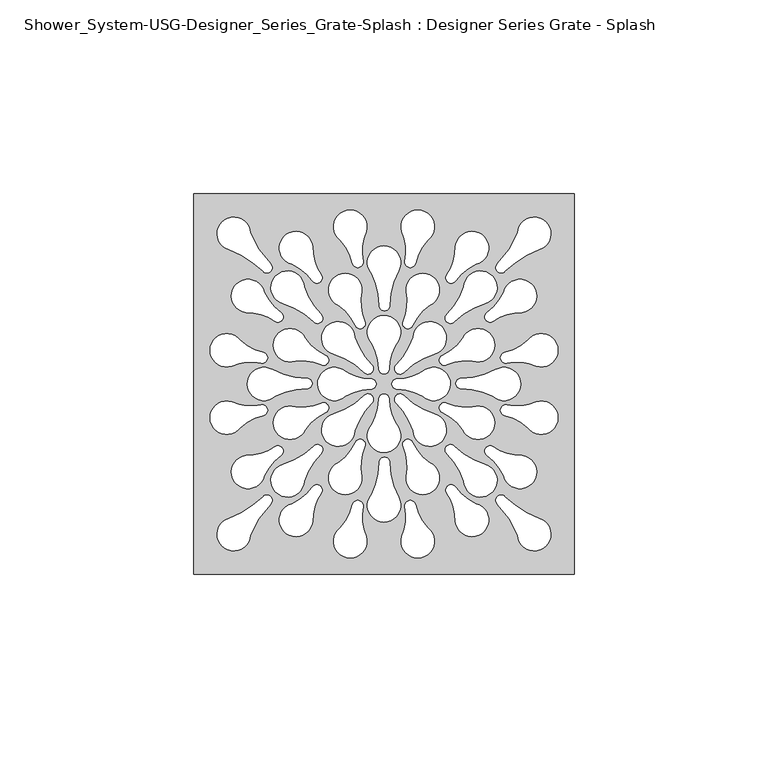
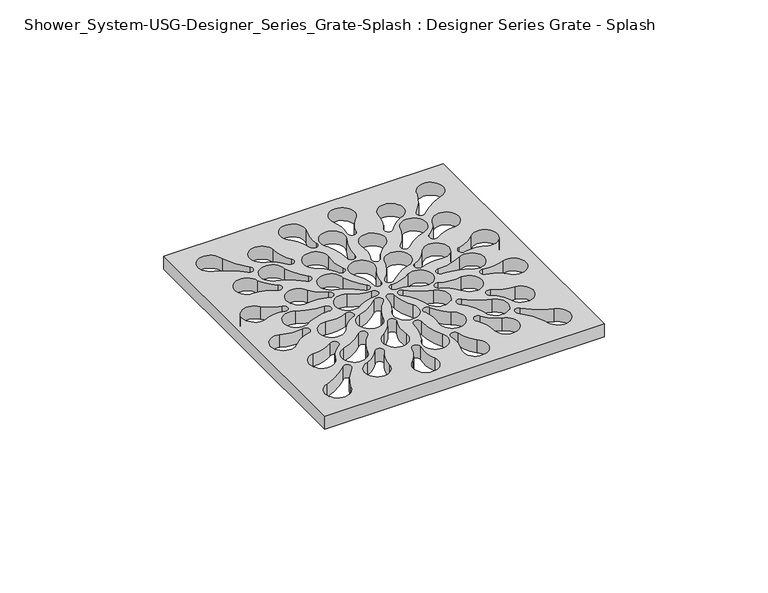
"""IFC4 building model written with IfcOpenShell, lengths in millimetres: proxy geometry, Shower_System-USG-Designer_Series_Grate-Splash : Designer Series Grate - Splash."""

import ifcopenshell
import ifcopenshell.guid

model = None  # the IFC model being written
_history = None  # IfcOwnerHistory: only IFC2X3 demands one
_inside = {}  # id of a spatial element -> (the spatial element, [elements in it])
_under = {}  # id of a project, library or spatial element -> (it, [spatial elements below it])
_declared = {}  # id of a project -> (the project, [libraries it declares])
_typed = {}  # id of a type object -> (the type object, [elements of that type])
_made_of = {}  # id of a material, layer set ... -> (it, [elements and type objects made of it])


def new_model(schema):
    """Start an empty IFC model of exactly this schema.

    Asked for "IFC4X3", IfcOpenShell would pick the latest addendum, in which some entities
    have other attributes; the version numbers below select the first issue.
    IFC2X3 requires an IfcOwnerHistory on every rooted entity: one is made here for all.
    """
    global model, _history
    if schema == "IFC4X3":
        model = ifcopenshell.file(schema_version=(4, 3, 0, 0))
    else:
        model = ifcopenshell.file(schema=schema)
    _inside.clear()
    _under.clear()
    _declared.clear()
    _typed.clear()
    _made_of.clear()
    _history = None
    if model.schema == "IFC2X3":
        org = make("IfcOrganization", Name="unknown")
        user = make(
            "IfcPersonAndOrganization",
            ThePerson=make("IfcPerson", FamilyName="unknown"),
            TheOrganization=org,
        )
        app = make(
            "IfcApplication",
            ApplicationDeveloper=org,
            Version="unknown",
            ApplicationFullName="unknown",
            ApplicationIdentifier="unknown",
        )
        _history = make(
            "IfcOwnerHistory",
            OwningUser=user,
            OwningApplication=app,
            ChangeAction="ADDED",
            CreationDate=0,
        )
    return model


def make(cls, **values):
    """One entity of the class cls with the attributes given. An attribute that is None is left unset."""
    return model.create_entity(
        cls, **{name: value for name, value in values.items() if value is not None}
    )


def rooted(cls, **values):
    """An entity with a GlobalId (a new one), such as an element, a storey or a relation."""
    return make(cls, GlobalId=ifcopenshell.guid.new(), OwnerHistory=_history, **values)


def si_unit(unit_type, name, prefix=None):
    """IfcSIUnit, for example si_unit("LENGTHUNIT", "METRE", prefix="MILLI")."""
    return make("IfcSIUnit", UnitType=unit_type, Prefix=prefix, Name=name)


def assignment(units):
    """IfcUnitAssignment: the units of a project."""
    return None if units is None else make("IfcUnitAssignment", Units=units)


def point(xyz):
    """IfcCartesianPoint."""
    return None if xyz is None else make("IfcCartesianPoint", Coordinates=xyz)


def direction(xyz):
    """IfcDirection."""
    return None if xyz is None else make("IfcDirection", DirectionRatios=xyz)


def frame(location, z_axis=None, x_axis=None):
    """IfcAxis2Placement3D, a coordinate frame: its origin and axes. An axis left out is left unset."""
    return make(
        "IfcAxis2Placement3D",
        Location=point(location),
        Axis=direction(z_axis),
        RefDirection=direction(x_axis),
    )


def frame_2d(location, x_axis=None):
    """IfcAxis2Placement2D, a coordinate frame in the plane: its origin and x axis."""
    return make(
        "IfcAxis2Placement2D", Location=point(location), RefDirection=direction(x_axis)
    )


def origin():
    """The frame at (0, 0, 0) with its axes left unset."""
    return frame((0.0, 0.0, 0.0))


def origin_with_axes():
    """The frame at (0, 0, 0) with the z axis (0, 0, 1) and the x axis (1, 0, 0) written out."""
    return frame((0.0, 0.0, 0.0), z_axis=(0.0, 0.0, 1.0), x_axis=(1.0, 0.0, 0.0))


def place(relative_to, where):
    """IfcLocalPlacement: puts the frame where relative to a parent placement (None: the world)."""
    return make(
        "IfcLocalPlacement", PlacementRelTo=relative_to, RelativePlacement=where
    )


def context(
    kind, dimensions, precision=None, world=None, true_north=None, identifier=None
):
    """IfcGeometricRepresentationContext, for example the 3D "Model" context."""
    return make(
        "IfcGeometricRepresentationContext",
        ContextIdentifier=identifier,
        ContextType=kind,
        CoordinateSpaceDimension=dimensions,
        Precision=precision,
        WorldCoordinateSystem=world,
        TrueNorth=true_north,
    )


def project(units=None, contexts=None):
    """IfcProject with its units and contexts."""
    return rooted(
        "IfcProject",
        Name="project",
        RepresentationContexts=contexts,
        UnitsInContext=assignment(units),
    )


def spatial(cls, under=None, at=None, **own):
    """A site, building, storey or space (cls), placed at a placement, below another one or the project."""
    s = rooted(cls, ObjectPlacement=at, **own)
    if under is not None:
        _under.setdefault(under.id(), (under, []))[1].append(s)
    return s


def polyline(points):
    """IfcPolyline through the points."""
    return make("IfcPolyline", Points=[point(p) for p in points])


def circle_curve(where, radius):
    """IfcCircle in the frame where."""
    return make("IfcCircle", Position=where, Radius=radius)


def trimmed(basis, trim1, trim2, sense, master):
    """IfcTrimmedCurve: the piece of a basis curve between two trims."""
    return make(
        "IfcTrimmedCurve",
        BasisCurve=basis,
        Trim1=trim1,
        Trim2=trim2,
        SenseAgreement=sense,
        MasterRepresentation=master,
    )


def segment(curve, same_sense, transition):
    """IfcCompositeCurveSegment."""
    return make(
        "IfcCompositeCurveSegment",
        Transition=transition,
        SameSense=same_sense,
        ParentCurve=curve,
    )


def composite_curve(segments, self_intersect=None):
    """IfcCompositeCurve: segments joined end to end."""
    return make("IfcCompositeCurve", Segments=segments, SelfIntersect=self_intersect)


def outline(outer, holes=None, kind="AREA"):
    """IfcArbitraryClosedProfileDef: a profile drawn as a closed curve; with holes, ...WithVoids."""
    if holes is None:
        return make("IfcArbitraryClosedProfileDef", ProfileType=kind, OuterCurve=outer)
    return make(
        "IfcArbitraryProfileDefWithVoids",
        ProfileType=kind,
        OuterCurve=outer,
        InnerCurves=holes,
    )


def extrude(swept, where, along, depth):
    """IfcExtrudedAreaSolid: the profile swept, set in the frame where, extruded along a direction by depth."""
    return make(
        "IfcExtrudedAreaSolid",
        SweptArea=swept,
        Position=where,
        ExtrudedDirection=direction(along),
        Depth=depth,
    )


def shape(context_of_items, identifier, shape_type, items):
    """IfcShapeRepresentation: the items that make up one representation, for example the "Body"."""
    return make(
        "IfcShapeRepresentation",
        ContextOfItems=context_of_items,
        RepresentationIdentifier=identifier,
        RepresentationType=shape_type,
        Items=items,
    )


def source(mapping_origin, context_of_items, identifier, shape_type, items):
    """IfcRepresentationMap: a shape defined once, which mapped items show again and again."""
    return make(
        "IfcRepresentationMap",
        MappingOrigin=mapping_origin,
        MappedRepresentation=shape(context_of_items, identifier, shape_type, items),
    )


def transform(
    local_origin,
    x_axis=None,
    y_axis=None,
    z_axis=None,
    scale=None,
    scale2=None,
    scale3=None,
    uniform=True,
):
    """IfcCartesianTransformationOperator3D, or its non-uniform kind. x_axis, y_axis, z_axis: its Axis1, 2, 3."""
    if uniform:
        return make(
            "IfcCartesianTransformationOperator3D",
            Axis1=direction(x_axis),
            Axis2=direction(y_axis),
            LocalOrigin=point(local_origin),
            Scale=scale,
            Axis3=direction(z_axis),
        )
    return make(
        "IfcCartesianTransformationOperator3DnonUniform",
        Axis1=direction(x_axis),
        Axis2=direction(y_axis),
        LocalOrigin=point(local_origin),
        Scale=scale,
        Axis3=direction(z_axis),
        Scale2=scale2,
        Scale3=scale3,
    )


def mapped(mapping_source, mapping_target):
    """IfcMappedItem: shows the shape of a source again, moved by a transform."""
    return make(
        "IfcMappedItem", MappingSource=mapping_source, MappingTarget=mapping_target
    )


def made_of(thing, what):
    """Note that an element or type object is made of a material, layer set ...; save() writes the relation."""
    if what is not None:
        _made_of.setdefault(what.id(), (what, []))[1].append(thing)
    return thing


def element(
    cls,
    number,
    at=None,
    inside=None,
    cuts=None,
    type_object=None,
    material=None,
    context=None,
    identifier="Body",
    shape_type=None,
    held_by="IfcProductDefinitionShape",
    body=None,
    shapes=None,
    **own,
):
    """One element of the class cls, such as IfcWall. Its Tag is "e" and its number.

    at: its placement. inside: the storey or other place that contains it. cuts: it is an
    opening in that element (IfcRelVoidsElement). A single representation is given by context,
    identifier, shape_type and body (its items); several are given by shapes. held_by: the class
    of the entity that holds the representations. save() writes the other relations.
    """
    e = rooted(cls, Tag="e%d" % number, ObjectPlacement=at, **own)
    if body is not None:
        shapes = [shape(context, identifier, shape_type, body)]
    if shapes is not None:
        e.Representation = make(held_by, Representations=shapes)
    if inside is not None:
        _inside.setdefault(inside.id(), (inside, []))[1].append(e)
    if cuts is not None:
        rooted(
            "IfcRelVoidsElement", RelatingBuildingElement=cuts, RelatedOpeningElement=e
        )
    if type_object is not None:
        _typed.setdefault(type_object.id(), (type_object, []))[1].append(e)
    return made_of(e, material)


def aggregate(whole, parts):
    """IfcRelAggregates: a whole, such as a stair, and the parts it consists of."""
    return rooted("IfcRelAggregates", RelatingObject=whole, RelatedObjects=parts)


def save(model, path):
    """Write the relations noted so far, then the file.

    IfcRelAggregates (storeys below a building ...), IfcRelContainedInSpatialStructure (elements
    in a storey), IfcRelDefinesByType, IfcRelAssociatesMaterial and IfcRelDeclares: one each for
    every whole, place, type object, material and project.
    """
    for whole, parts in _under.values():
        aggregate(whole, parts)
    for where, things in _inside.values():
        rooted(
            "IfcRelContainedInSpatialStructure",
            RelatedElements=things,
            RelatingStructure=where,
        )
    for kind, things in _typed.values():
        rooted("IfcRelDefinesByType", RelatedObjects=things, RelatingType=kind)
    for what, things in _made_of.values():
        rooted("IfcRelAssociatesMaterial", RelatedObjects=things, RelatingMaterial=what)
    for by, libraries in _declared.values():
        rooted("IfcRelDeclares", RelatingContext=by, RelatedDefinitions=libraries)
    model.write(path)


def shower_system_usg_designer_series_grate_splash_designer_84e0f59b(model_context):
    return source(origin(), model_context, "Body", "SweptSolid", [
        extrude(outline(polyline([(49.2125, -49.2125), (-49.2125, -49.2125), (-49.2125, 49.2125), (49.2125, 49.2125), (49.2125, -49.2125)]), holes=[composite_curve([segment(trimmed(circle_curve(frame_2d((12.8381313, 0.0)), 4.3109598), [point((9.9621272, -3.2113821))], [point((10.7444921, 3.768428))], True, "CARTESIAN"), True, "CONTINUOUS"), segment(trimmed(circle_curve(frame_2d((3.4483085, 13.7767597)), 12.3855157), [point((10.7444921, 3.768428))], [point((3.4483085, 1.391244))], False, "CARTESIAN"), True, "CONTINUOUS"), segment(trimmed(circle_curve(frame_2d((3.4483085, 0.0)), 1.391244), [point((3.4483085, 1.391244))], [point((3.4483085, -1.391244))], True, "CARTESIAN"), True, "CONTINUOUS"), segment(trimmed(circle_curve(frame_2d((3.4483085, -13.9569765)), 12.5657325), [point((3.4483085, -1.391244))], [point((9.9621272, -3.2113821))], False, "CARTESIAN"), True, "CONTINUOUS")], self_intersect=False), composite_curve([segment(trimmed(circle_curve(frame_2d((0.0, -13.3853814)), 4.3109598), [point((-3.2113821, -10.5093774))], [point((3.768428, -11.2917423))], True, "CARTESIAN"), True, "CONTINUOUS"), segment(trimmed(circle_curve(frame_2d((13.7767597, -3.9955587)), 12.3855157), [point((3.768428, -11.2917423))], [point((1.391244, -3.9955587))], False, "CARTESIAN"), True, "CONTINUOUS"), segment(trimmed(circle_curve(frame_2d((0.0, -3.9955587)), 1.391244), [point((1.391244, -3.9955587))], [point((-1.391244, -3.9955587))], True, "CARTESIAN"), True, "CONTINUOUS"), segment(trimmed(circle_curve(frame_2d((-13.9569765, -3.9955587)), 12.5657325), [point((-1.391244, -3.9955587))], [point((-3.2113821, -10.5093774))], False, "CARTESIAN"), True, "CONTINUOUS")], self_intersect=False), composite_curve([segment(trimmed(circle_curve(frame_2d((-3.4483085, -13.9569765)), 12.5657325), [point((-9.9621272, -3.2113821))], [point((-3.4483085, -1.391244))], False, "CARTESIAN"), True, "CONTINUOUS"), segment(trimmed(circle_curve(frame_2d((-3.4483085, 0.0)), 1.391244), [point((-3.4483085, -1.391244))], [point((-3.4483085, 1.391244))], True, "CARTESIAN"), True, "CONTINUOUS"), segment(trimmed(circle_curve(frame_2d((-3.4483085, 13.7767597)), 12.3855157), [point((-3.4483085, 1.391244))], [point((-10.7444921, 3.768428))], False, "CARTESIAN"), True, "CONTINUOUS"), segment(trimmed(circle_curve(frame_2d((-12.8381313, 0.0)), 4.3109598), [point((-10.7444921, 3.768428))], [point((-9.9621272, -3.2113821))], True, "CARTESIAN"), True, "CONTINUOUS")], self_intersect=False), composite_curve([segment(trimmed(circle_curve(frame_2d((-13.9569765, 3.9955587)), 12.5657325), [point((-3.2113821, 10.5093774))], [point((-1.391244, 3.9955587))], False, "CARTESIAN"), True, "CONTINUOUS"), segment(trimmed(circle_curve(frame_2d((0.0, 3.9955587)), 1.391244), [point((-1.391244, 3.9955587))], [point((1.391244, 3.9955587))], True, "CARTESIAN"), True, "CONTINUOUS"), segment(trimmed(circle_curve(frame_2d((13.7767597, 3.9955587)), 12.3855157), [point((1.391244, 3.9955587))], [point((3.768428, 11.2917423))], False, "CARTESIAN"), True, "CONTINUOUS"), segment(trimmed(circle_curve(frame_2d((0.0, 13.3853814)), 4.3109598), [point((3.768428, 11.2917423))], [point((-3.2113821, 10.5093774))], True, "CARTESIAN"), True, "CONTINUOUS")], self_intersect=False), composite_curve([segment(trimmed(circle_curve(frame_2d((0.0, -31.36065)), 4.3109598), [point((-3.2113821, -28.4846459))], [point((3.768428, -29.2670108))], True, "CARTESIAN"), True, "CONTINUOUS"), segment(trimmed(circle_curve(frame_2d((20.3985658, -20.3211361)), 18.883595), [point((3.768428, -29.2670108))], [point((1.5149708, -20.3211361))], False, "CARTESIAN"), True, "CONTINUOUS"), segment(trimmed(circle_curve(frame_2d((0.1237268, -20.3211361)), 1.391244), [point((1.5149708, -20.3211361))], [point((-1.2675171, -20.3211361))], True, "CARTESIAN"), True, "CONTINUOUS"), segment(trimmed(circle_curve(frame_2d((-19.3813024, -20.3211361)), 18.1137852), [point((-1.2675171, -20.3211361))], [point((-3.2113821, -28.4846459))], False, "CARTESIAN"), True, "CONTINUOUS")], self_intersect=False), composite_curve([segment(trimmed(circle_curve(frame_2d((-19.3813024, 20.3211361)), 18.1137852), [point((-3.2113821, 28.4846459))], [point((-1.2675171, 20.3211361))], False, "CARTESIAN"), True, "CONTINUOUS"), segment(trimmed(circle_curve(frame_2d((0.1237268, 20.3211361)), 1.391244), [point((-1.2675171, 20.3211361))], [point((1.5149708, 20.3211361))], True, "CARTESIAN"), True, "CONTINUOUS"), segment(trimmed(circle_curve(frame_2d((20.3985658, 20.3211361)), 18.883595), [point((1.5149708, 20.3211361))], [point((3.768428, 29.2670108))], False, "CARTESIAN"), True, "CONTINUOUS"), segment(trimmed(circle_curve(frame_2d((0.0, 31.36065)), 4.3109598), [point((3.768428, 29.2670108))], [point((-3.2113821, 28.4846459))], True, "CARTESIAN"), True, "CONTINUOUS")], self_intersect=False), composite_curve([segment(trimmed(circle_curve(frame_2d((31.0004699, 0.0)), 4.3109598), [point((28.1244659, -3.2113821))], [point((28.9068308, 3.768428))], True, "CARTESIAN"), True, "CONTINUOUS"), segment(trimmed(circle_curve(frame_2d((19.960956, 20.3985658)), 18.883595), [point((28.9068308, 3.768428))], [point((19.960956, 1.5149708))], False, "CARTESIAN"), True, "CONTINUOUS"), segment(trimmed(circle_curve(frame_2d((19.960956, 0.1237268)), 1.391244), [point((19.960956, 1.5149708))], [point((19.960956, -1.2675171))], True, "CARTESIAN"), True, "CONTINUOUS"), segment(trimmed(circle_curve(frame_2d((19.960956, -19.3813024)), 18.1137852), [point((19.960956, -1.2675171))], [point((28.1244659, -3.2113821))], False, "CARTESIAN"), True, "CONTINUOUS")], self_intersect=False), composite_curve([segment(trimmed(circle_curve(frame_2d((-19.960956, -19.3813024)), 18.1137852), [point((-28.1244659, -3.2113821))], [point((-19.960956, -1.2675171))], False, "CARTESIAN"), True, "CONTINUOUS"), segment(trimmed(circle_curve(frame_2d((-19.960956, 0.1237268)), 1.391244), [point((-19.960956, -1.2675171))], [point((-19.960956, 1.5149708))], True, "CARTESIAN"), True, "CONTINUOUS"), segment(trimmed(circle_curve(frame_2d((-19.960956, 20.3985658)), 18.883595), [point((-19.960956, 1.5149708))], [point((-28.9068308, 3.768428))], False, "CARTESIAN"), True, "CONTINUOUS"), segment(trimmed(circle_curve(frame_2d((-31.0004699, 0.0)), 4.3109598), [point((-28.9068308, 3.768428))], [point((-28.1244659, -3.2113821))], True, "CARTESIAN"), True, "CONTINUOUS")], self_intersect=False), composite_curve([segment(trimmed(circle_curve(frame_2d((11.8319537, -11.8319537)), 4.3109598), [point((7.5275217, -12.0691018))], [point((13.0162082, -7.6868463))], True, "CARTESIAN"), True, "CONTINUOUS"), segment(trimmed(circle_curve(frame_2d((18.4498027, 10.3981256)), 18.883595), [point((13.0162082, -7.6868463))], [point((5.0970847, -2.9545924))], False, "CARTESIAN"), True, "CONTINUOUS"), segment(trimmed(circle_curve(frame_2d((4.1133267, -3.9383505)), 1.391244), [point((5.0970847, -2.9545924))], [point((3.1295686, -4.9221085))], True, "CARTESIAN"), True, "CONTINUOUS"), segment(trimmed(circle_curve(frame_2d((-9.6788118, -17.7304889)), 18.1137852), [point((3.1295686, -4.9221085))], [point((7.5275217, -12.0691018))], False, "CARTESIAN"), True, "CONTINUOUS")], self_intersect=False), composite_curve([segment(trimmed(circle_curve(frame_2d((-9.6788118, 17.7304889)), 18.1137852), [point((7.5275217, 12.0691018))], [point((3.1295686, 4.9221085))], False, "CARTESIAN"), True, "CONTINUOUS"), segment(trimmed(circle_curve(frame_2d((4.1133267, 3.9383505)), 1.391244), [point((3.1295686, 4.9221085))], [point((5.0970847, 2.9545924))], True, "CARTESIAN"), True, "CONTINUOUS"), segment(trimmed(circle_curve(frame_2d((18.4498027, -10.3981256)), 18.883595), [point((5.0970847, 2.9545924))], [point((13.0162082, 7.6868463))], False, "CARTESIAN"), True, "CONTINUOUS"), segment(trimmed(circle_curve(frame_2d((11.8319537, 11.8319537)), 4.3109598), [point((13.0162082, 7.6868463))], [point((7.5275217, 12.0691018))], True, "CARTESIAN"), True, "CONTINUOUS")], self_intersect=False), composite_curve([segment(trimmed(circle_curve(frame_2d((-11.8319537, 11.8319537)), 4.3109598), [point((-7.5275217, 12.0691018))], [point((-13.0162082, 7.6868463))], True, "CARTESIAN"), True, "CONTINUOUS"), segment(trimmed(circle_curve(frame_2d((-18.4498027, -10.3981256)), 18.883595), [point((-13.0162082, 7.6868463))], [point((-5.0970847, 2.9545924))], False, "CARTESIAN"), True, "CONTINUOUS"), segment(trimmed(circle_curve(frame_2d((-4.1133267, 3.9383505)), 1.391244), [point((-5.0970847, 2.9545924))], [point((-3.1295686, 4.9221085))], True, "CARTESIAN"), True, "CONTINUOUS"), segment(trimmed(circle_curve(frame_2d((9.6788118, 17.7304889)), 18.1137852), [point((-3.1295686, 4.9221085))], [point((-7.5275217, 12.0691018))], False, "CARTESIAN"), True, "CONTINUOUS")], self_intersect=False), composite_curve([segment(trimmed(circle_curve(frame_2d((9.6788118, -17.7304889)), 18.1137852), [point((-7.5275217, -12.0691018))], [point((-3.1295686, -4.9221085))], False, "CARTESIAN"), True, "CONTINUOUS"), segment(trimmed(circle_curve(frame_2d((-4.1133267, -3.9383505)), 1.391244), [point((-3.1295686, -4.9221085))], [point((-5.0970847, -2.9545924))], True, "CARTESIAN"), True, "CONTINUOUS"), segment(trimmed(circle_curve(frame_2d((-18.4498027, 10.3981256)), 18.883595), [point((-5.0970847, -2.9545924))], [point((-13.0162082, -7.6868463))], False, "CARTESIAN"), True, "CONTINUOUS"), segment(trimmed(circle_curve(frame_2d((-11.8319537, -11.8319537)), 4.3109598), [point((-13.0162082, -7.6868463))], [point((-7.5275217, -12.0691018))], True, "CARTESIAN"), True, "CONTINUOUS")], self_intersect=False), composite_curve([segment(trimmed(circle_curve(frame_2d((24.9071661, -24.9071661)), 4.3109598), [point((20.6027341, -25.1443142))], [point((26.0914206, -20.7620587))], True, "CARTESIAN"), True, "CONTINUOUS"), segment(trimmed(circle_curve(frame_2d((31.5250152, -2.6770868)), 18.883595), [point((26.0914206, -20.7620587))], [point((18.1722971, -16.0298048))], False, "CARTESIAN"), True, "CONTINUOUS"), segment(trimmed(circle_curve(frame_2d((17.1885391, -17.0135629)), 1.391244), [point((18.1722971, -16.0298048))], [point((16.204781, -17.9973209))], True, "CARTESIAN"), True, "CONTINUOUS"), segment(trimmed(circle_curve(frame_2d((3.3964006, -30.8057013)), 18.1137852), [point((16.204781, -17.9973209))], [point((20.6027341, -25.1443142))], False, "CARTESIAN"), True, "CONTINUOUS")], self_intersect=False), composite_curve([segment(trimmed(circle_curve(frame_2d((38.8265631, -38.8265631)), 4.3109598), [point((34.5221311, -39.0637112))], [point((40.0108176, -34.6814557))], True, "CARTESIAN"), True, "CONTINUOUS"), segment(trimmed(circle_curve(frame_2d((48.2165596, -12.1123152)), 24.0145852), [point((40.0108176, -34.6814557))], [point((31.2356835, -29.0931913))], False, "CARTESIAN"), True, "CONTINUOUS"), segment(trimmed(circle_curve(frame_2d((30.2519255, -30.0769493)), 1.391244), [point((31.2356835, -29.0931913))], [point((29.2681674, -31.0607074))], True, "CARTESIAN"), True, "CONTINUOUS"), segment(trimmed(circle_curve(frame_2d((12.598312, -47.7305628)), 23.5747357), [point((29.2681674, -31.0607074))], [point((34.5221311, -39.0637112))], False, "CARTESIAN"), True, "CONTINUOUS")], self_intersect=False), composite_curve([segment(trimmed(circle_curve(frame_2d((3.3964006, 30.8057013)), 18.1137852), [point((20.6027341, 25.1443142))], [point((16.204781, 17.9973209))], False, "CARTESIAN"), True, "CONTINUOUS"), segment(trimmed(circle_curve(frame_2d((17.1885391, 17.0135629)), 1.391244), [point((16.204781, 17.9973209))], [point((18.1722971, 16.0298048))], True, "CARTESIAN"), True, "CONTINUOUS"), segment(trimmed(circle_curve(frame_2d((31.5250152, 2.6770868)), 18.883595), [point((18.1722971, 16.0298048))], [point((26.0914206, 20.7620587))], False, "CARTESIAN"), True, "CONTINUOUS"), segment(trimmed(circle_curve(frame_2d((24.9071661, 24.9071661)), 4.3109598), [point((26.0914206, 20.7620587))], [point((20.6027341, 25.1443142))], True, "CARTESIAN"), True, "CONTINUOUS")], self_intersect=False), composite_curve([segment(trimmed(circle_curve(frame_2d((12.598312, 47.7305628)), 23.5747357), [point((34.5221311, 39.0637112))], [point((29.2681674, 31.0607074))], False, "CARTESIAN"), True, "CONTINUOUS"), segment(trimmed(circle_curve(frame_2d((30.2519255, 30.0769493)), 1.391244), [point((29.2681674, 31.0607074))], [point((31.2356835, 29.0931913))], True, "CARTESIAN"), True, "CONTINUOUS"), segment(trimmed(circle_curve(frame_2d((48.2165596, 12.1123152)), 24.0145852), [point((31.2356835, 29.0931913))], [point((40.0108176, 34.6814557))], False, "CARTESIAN"), True, "CONTINUOUS"), segment(trimmed(circle_curve(frame_2d((38.8265631, 38.8265631)), 4.3109598), [point((40.0108176, 34.6814557))], [point((34.5221311, 39.0637112))], True, "CARTESIAN"), True, "CONTINUOUS")], self_intersect=False), composite_curve([segment(trimmed(circle_curve(frame_2d((-24.9071661, 24.9071661)), 4.3109598), [point((-20.6027341, 25.1443142))], [point((-26.0914206, 20.7620587))], True, "CARTESIAN"), True, "CONTINUOUS"), segment(trimmed(circle_curve(frame_2d((-31.5250152, 2.6770868)), 18.883595), [point((-26.0914206, 20.7620587))], [point((-18.1722971, 16.0298048))], False, "CARTESIAN"), True, "CONTINUOUS"), segment(trimmed(circle_curve(frame_2d((-17.1885391, 17.0135629)), 1.391244), [point((-18.1722971, 16.0298048))], [point((-16.204781, 17.9973209))], True, "CARTESIAN"), True, "CONTINUOUS"), segment(trimmed(circle_curve(frame_2d((-3.3964006, 30.8057013)), 18.1137852), [point((-16.204781, 17.9973209))], [point((-20.6027341, 25.1443142))], False, "CARTESIAN"), True, "CONTINUOUS")], self_intersect=False), composite_curve([segment(trimmed(circle_curve(frame_2d((-38.8265631, 38.8265631)), 4.3109598), [point((-34.5221311, 39.0637112))], [point((-40.0108176, 34.6814557))], True, "CARTESIAN"), True, "CONTINUOUS"), segment(trimmed(circle_curve(frame_2d((-48.2165596, 12.1123152)), 24.0145852), [point((-40.0108176, 34.6814557))], [point((-31.2356835, 29.0931913))], False, "CARTESIAN"), True, "CONTINUOUS"), segment(trimmed(circle_curve(frame_2d((-30.2519255, 30.0769493)), 1.391244), [point((-31.2356835, 29.0931913))], [point((-29.2681674, 31.0607074))], True, "CARTESIAN"), True, "CONTINUOUS"), segment(trimmed(circle_curve(frame_2d((-12.598312, 47.7305628)), 23.5747357), [point((-29.2681674, 31.0607074))], [point((-34.5221311, 39.0637112))], False, "CARTESIAN"), True, "CONTINUOUS")], self_intersect=False), composite_curve([segment(trimmed(circle_curve(frame_2d((-3.3964006, -30.8057013)), 18.1137852), [point((-20.6027341, -25.1443142))], [point((-16.204781, -17.9973209))], False, "CARTESIAN"), True, "CONTINUOUS"), segment(trimmed(circle_curve(frame_2d((-17.1885391, -17.0135629)), 1.391244), [point((-16.204781, -17.9973209))], [point((-18.1722971, -16.0298048))], True, "CARTESIAN"), True, "CONTINUOUS"), segment(trimmed(circle_curve(frame_2d((-31.5250152, -2.6770868)), 18.883595), [point((-18.1722971, -16.0298048))], [point((-26.0914206, -20.7620587))], False, "CARTESIAN"), True, "CONTINUOUS"), segment(trimmed(circle_curve(frame_2d((-24.9071661, -24.9071661)), 4.3109598), [point((-26.0914206, -20.7620587))], [point((-20.6027341, -25.1443142))], True, "CARTESIAN"), True, "CONTINUOUS")], self_intersect=False), composite_curve([segment(trimmed(circle_curve(frame_2d((-12.598312, -47.7305628)), 23.5747357), [point((-34.5221311, -39.0637112))], [point((-29.2681674, -31.0607074))], False, "CARTESIAN"), True, "CONTINUOUS"), segment(trimmed(circle_curve(frame_2d((-30.2519255, -30.0769493)), 1.391244), [point((-29.2681674, -31.0607074))], [point((-31.2356835, -29.0931913))], True, "CARTESIAN"), True, "CONTINUOUS"), segment(trimmed(circle_curve(frame_2d((-48.2165596, -12.1123152)), 24.0145852), [point((-31.2356835, -29.0931913))], [point((-40.0108176, -34.6814557))], False, "CARTESIAN"), True, "CONTINUOUS"), segment(trimmed(circle_curve(frame_2d((-38.8265631, -38.8265631)), 4.3109598), [point((-40.0108176, -34.6814557))], [point((-34.5221311, -39.0637112))], True, "CARTESIAN"), True, "CONTINUOUS")], self_intersect=False), composite_curve([segment(trimmed(circle_curve(frame_2d((40.6311445, -8.7303877)), 4.3109598), [point((37.1503042, -11.2736385))], [point((39.3667566, -4.6090169))], True, "CARTESIAN"), True, "CONTINUOUS"), segment(trimmed(circle_curve(frame_2d((34.3108613, 6.6975706)), 12.3855157), [point((39.3667566, -4.6090169))], [point((31.7357678, -5.4172918))], False, "CARTESIAN"), True, "CONTINUOUS"), segment(trimmed(circle_curve(frame_2d((31.4465119, -6.7781338)), 1.391244), [point((31.7357678, -5.4172918))], [point((31.157256, -8.1389757))], True, "CARTESIAN"), True, "CONTINUOUS"), segment(trimmed(circle_curve(frame_2d((28.5446933, -20.4301169)), 12.5657325), [point((31.157256, -8.1389757))], [point((37.1503042, -11.2736385))], False, "CARTESIAN"), True, "CONTINUOUS")], self_intersect=False), composite_curve([segment(trimmed(circle_curve(frame_2d((24.2726534, -10.0063409)), 4.3109598), [point((20.3391062, -11.7703082))], [point((23.8927766, -5.7121509))], True, "CARTESIAN"), True, "CONTINUOUS"), segment(trimmed(circle_curve(frame_2d((21.2981364, 6.3985403)), 12.3855157), [point((23.8927766, -5.7121509))], [point((16.2604933, -4.9161913))], False, "CARTESIAN"), True, "CONTINUOUS"), segment(trimmed(circle_curve(frame_2d((15.6946234, -6.1871559)), 1.391244), [point((16.2604933, -4.9161913))], [point((15.1287535, -7.4581205))], True, "CARTESIAN"), True, "CONTINUOUS"), segment(trimmed(circle_curve(frame_2d((10.0178097, -18.9374884)), 12.5657325), [point((15.1287535, -7.4581205))], [point((20.3391062, -11.7703082))], False, "CARTESIAN"), True, "CONTINUOUS")], self_intersect=False), composite_curve([segment(trimmed(circle_curve(frame_2d((35.1312859, -22.7389899)), 4.3109598), [point((30.9334282, -23.719992))], [point((35.5777586, -18.4512124))], True, "CARTESIAN"), True, "CONTINUOUS"), segment(trimmed(circle_curve(frame_2d((35.3416181, -6.067948)), 12.3855157), [point((35.5777586, -18.4512124))], [point((28.2375782, -16.2135685))], False, "CARTESIAN"), True, "CONTINUOUS"), segment(trimmed(circle_curve(frame_2d((27.4395934, -17.3532089)), 1.391244), [point((28.2375782, -16.2135685))], [point((26.6416087, -18.4928492))], True, "CARTESIAN"), True, "CONTINUOUS"), segment(trimmed(circle_curve(frame_2d((19.4342006, -28.7860947)), 12.5657325), [point((26.6416087, -18.4928492))], [point((30.9334282, -23.719992))], False, "CARTESIAN"), True, "CONTINUOUS")], self_intersect=False), composite_curve([segment(trimmed(circle_curve(frame_2d((28.5446933, 20.4301169)), 12.5657325), [point((37.1503042, 11.2736385))], [point((31.157256, 8.1389757))], False, "CARTESIAN"), True, "CONTINUOUS"), segment(trimmed(circle_curve(frame_2d((31.4465119, 6.7781338)), 1.391244), [point((31.157256, 8.1389757))], [point((31.7357678, 5.4172918))], True, "CARTESIAN"), True, "CONTINUOUS"), segment(trimmed(circle_curve(frame_2d((34.3108613, -6.6975706)), 12.3855157), [point((31.7357678, 5.4172918))], [point((39.3667566, 4.6090169))], False, "CARTESIAN"), True, "CONTINUOUS"), segment(trimmed(circle_curve(frame_2d((40.6311445, 8.7303877)), 4.3109598), [point((39.3667566, 4.6090169))], [point((37.1503042, 11.2736385))], True, "CARTESIAN"), True, "CONTINUOUS")], self_intersect=False), composite_curve([segment(trimmed(circle_curve(frame_2d((10.0178097, 18.9374884)), 12.5657325), [point((20.3391062, 11.7703082))], [point((15.1287535, 7.4581205))], False, "CARTESIAN"), True, "CONTINUOUS"), segment(trimmed(circle_curve(frame_2d((15.6946234, 6.1871559)), 1.391244), [point((15.1287535, 7.4581205))], [point((16.2604933, 4.9161913))], True, "CARTESIAN"), True, "CONTINUOUS"), segment(trimmed(circle_curve(frame_2d((21.2981364, -6.3985403)), 12.3855157), [point((16.2604933, 4.9161913))], [point((23.8927766, 5.7121509))], False, "CARTESIAN"), True, "CONTINUOUS"), segment(trimmed(circle_curve(frame_2d((24.2726534, 10.0063409)), 4.3109598), [point((23.8927766, 5.7121509))], [point((20.3391062, 11.7703082))], True, "CARTESIAN"), True, "CONTINUOUS")], self_intersect=False), composite_curve([segment(trimmed(circle_curve(frame_2d((19.4342006, 28.7860947)), 12.5657325), [point((30.9334282, 23.719992))], [point((26.6416087, 18.4928492))], False, "CARTESIAN"), True, "CONTINUOUS"), segment(trimmed(circle_curve(frame_2d((27.4395934, 17.3532089)), 1.391244), [point((26.6416087, 18.4928492))], [point((28.2375782, 16.2135685))], True, "CARTESIAN"), True, "CONTINUOUS"), segment(trimmed(circle_curve(frame_2d((35.3416181, 6.067948)), 12.3855157), [point((28.2375782, 16.2135685))], [point((35.5777586, 18.4512124))], False, "CARTESIAN"), True, "CONTINUOUS"), segment(trimmed(circle_curve(frame_2d((35.1312859, 22.7389899)), 4.3109598), [point((35.5777586, 18.4512124))], [point((30.9334282, 23.719992))], True, "CARTESIAN"), True, "CONTINUOUS")], self_intersect=False), composite_curve([segment(trimmed(circle_curve(frame_2d((-28.5446933, -20.4301169)), 12.5657325), [point((-37.1503042, -11.2736385))], [point((-31.157256, -8.1389757))], False, "CARTESIAN"), True, "CONTINUOUS"), segment(trimmed(circle_curve(frame_2d((-31.4465119, -6.7781338)), 1.391244), [point((-31.157256, -8.1389757))], [point((-31.7357678, -5.4172918))], True, "CARTESIAN"), True, "CONTINUOUS"), segment(trimmed(circle_curve(frame_2d((-34.3108613, 6.6975706)), 12.3855157), [point((-31.7357678, -5.4172918))], [point((-39.3667566, -4.6090169))], False, "CARTESIAN"), True, "CONTINUOUS"), segment(trimmed(circle_curve(frame_2d((-40.6311445, -8.7303877)), 4.3109598), [point((-39.3667566, -4.6090169))], [point((-37.1503042, -11.2736385))], True, "CARTESIAN"), True, "CONTINUOUS")], self_intersect=False), composite_curve([segment(trimmed(circle_curve(frame_2d((-10.0178097, -18.9374884)), 12.5657325), [point((-20.3391062, -11.7703082))], [point((-15.1287535, -7.4581205))], False, "CARTESIAN"), True, "CONTINUOUS"), segment(trimmed(circle_curve(frame_2d((-15.6946234, -6.1871559)), 1.391244), [point((-15.1287535, -7.4581205))], [point((-16.2604933, -4.9161913))], True, "CARTESIAN"), True, "CONTINUOUS"), segment(trimmed(circle_curve(frame_2d((-21.2981364, 6.3985403)), 12.3855157), [point((-16.2604933, -4.9161913))], [point((-23.8927766, -5.7121509))], False, "CARTESIAN"), True, "CONTINUOUS"), segment(trimmed(circle_curve(frame_2d((-24.2726534, -10.0063409)), 4.3109598), [point((-23.8927766, -5.7121509))], [point((-20.3391062, -11.7703082))], True, "CARTESIAN"), True, "CONTINUOUS")], self_intersect=False), composite_curve([segment(trimmed(circle_curve(frame_2d((-19.4342006, -28.7860947)), 12.5657325), [point((-30.9334282, -23.719992))], [point((-26.6416087, -18.4928492))], False, "CARTESIAN"), True, "CONTINUOUS"), segment(trimmed(circle_curve(frame_2d((-27.4395934, -17.3532089)), 1.391244), [point((-26.6416087, -18.4928492))], [point((-28.2375782, -16.2135685))], True, "CARTESIAN"), True, "CONTINUOUS"), segment(trimmed(circle_curve(frame_2d((-35.3416181, -6.067948)), 12.3855157), [point((-28.2375782, -16.2135685))], [point((-35.5777586, -18.4512124))], False, "CARTESIAN"), True, "CONTINUOUS"), segment(trimmed(circle_curve(frame_2d((-35.1312859, -22.7389899)), 4.3109598), [point((-35.5777586, -18.4512124))], [point((-30.9334282, -23.719992))], True, "CARTESIAN"), True, "CONTINUOUS")], self_intersect=False), composite_curve([segment(trimmed(circle_curve(frame_2d((-40.6311445, 8.7303877)), 4.3109598), [point((-37.1503042, 11.2736385))], [point((-39.3667566, 4.6090169))], True, "CARTESIAN"), True, "CONTINUOUS"), segment(trimmed(circle_curve(frame_2d((-34.3108613, -6.6975706)), 12.3855157), [point((-39.3667566, 4.6090169))], [point((-31.7357678, 5.4172918))], False, "CARTESIAN"), True, "CONTINUOUS"), segment(trimmed(circle_curve(frame_2d((-31.4465119, 6.7781338)), 1.391244), [point((-31.7357678, 5.4172918))], [point((-31.157256, 8.1389757))], True, "CARTESIAN"), True, "CONTINUOUS"), segment(trimmed(circle_curve(frame_2d((-28.5446933, 20.4301169)), 12.5657325), [point((-31.157256, 8.1389757))], [point((-37.1503042, 11.2736385))], False, "CARTESIAN"), True, "CONTINUOUS")], self_intersect=False), composite_curve([segment(trimmed(circle_curve(frame_2d((-24.2726534, 10.0063409)), 4.3109598), [point((-20.3391062, 11.7703082))], [point((-23.8927766, 5.7121509))], True, "CARTESIAN"), True, "CONTINUOUS"), segment(trimmed(circle_curve(frame_2d((-21.2981364, -6.3985403)), 12.3855157), [point((-23.8927766, 5.7121509))], [point((-16.2604933, 4.9161913))], False, "CARTESIAN"), True, "CONTINUOUS"), segment(trimmed(circle_curve(frame_2d((-15.6946234, 6.1871559)), 1.391244), [point((-16.2604933, 4.9161913))], [point((-15.1287535, 7.4581205))], True, "CARTESIAN"), True, "CONTINUOUS"), segment(trimmed(circle_curve(frame_2d((-10.0178097, 18.9374884)), 12.5657325), [point((-15.1287535, 7.4581205))], [point((-20.3391062, 11.7703082))], False, "CARTESIAN"), True, "CONTINUOUS")], self_intersect=False), composite_curve([segment(trimmed(circle_curve(frame_2d((-35.1312859, 22.7389899)), 4.3109598), [point((-30.9334282, 23.719992))], [point((-35.5777586, 18.4512124))], True, "CARTESIAN"), True, "CONTINUOUS"), segment(trimmed(circle_curve(frame_2d((-35.3416181, 6.067948)), 12.3855157), [point((-35.5777586, 18.4512124))], [point((-28.2375782, 16.2135685))], False, "CARTESIAN"), True, "CONTINUOUS"), segment(trimmed(circle_curve(frame_2d((-27.4395934, 17.3532089)), 1.391244), [point((-28.2375782, 16.2135685))], [point((-26.6416087, 18.4928492))], True, "CARTESIAN"), True, "CONTINUOUS"), segment(trimmed(circle_curve(frame_2d((-19.4342006, 28.7860947)), 12.5657325), [point((-26.6416087, 18.4928492))], [point((-30.9334282, 23.719992))], False, "CARTESIAN"), True, "CONTINUOUS")], self_intersect=False), composite_curve([segment(trimmed(circle_curve(frame_2d((8.7303877, 40.6311445)), 4.3109598), [point((11.2736385, 37.1503042))], [point((4.6090169, 39.3667566))], True, "CARTESIAN"), True, "CONTINUOUS"), segment(trimmed(circle_curve(frame_2d((-6.6975706, 34.3108613)), 12.3855157), [point((4.6090169, 39.3667566))], [point((5.4172918, 31.7357678))], False, "CARTESIAN"), True, "CONTINUOUS"), segment(trimmed(circle_curve(frame_2d((6.7781338, 31.4465119)), 1.391244), [point((5.4172918, 31.7357678))], [point((8.1389757, 31.157256))], True, "CARTESIAN"), True, "CONTINUOUS"), segment(trimmed(circle_curve(frame_2d((20.4301169, 28.5446933)), 12.5657325), [point((8.1389757, 31.157256))], [point((11.2736385, 37.1503042))], False, "CARTESIAN"), True, "CONTINUOUS")], self_intersect=False), composite_curve([segment(trimmed(circle_curve(frame_2d((10.0063409, 24.2726534)), 4.3109598), [point((11.7703082, 20.3391062))], [point((5.7121509, 23.8927766))], True, "CARTESIAN"), True, "CONTINUOUS"), segment(trimmed(circle_curve(frame_2d((-6.3985403, 21.2981364)), 12.3855157), [point((5.7121509, 23.8927766))], [point((4.9161913, 16.2604933))], False, "CARTESIAN"), True, "CONTINUOUS"), segment(trimmed(circle_curve(frame_2d((6.1871559, 15.6946234)), 1.391244), [point((4.9161913, 16.2604933))], [point((7.4581205, 15.1287535))], True, "CARTESIAN"), True, "CONTINUOUS"), segment(trimmed(circle_curve(frame_2d((18.9374884, 10.0178097)), 12.5657325), [point((7.4581205, 15.1287535))], [point((11.7703082, 20.3391062))], False, "CARTESIAN"), True, "CONTINUOUS")], self_intersect=False), composite_curve([segment(trimmed(circle_curve(frame_2d((22.7389899, 35.1312859)), 4.3109598), [point((23.719992, 30.9334282))], [point((18.4512124, 35.5777586))], True, "CARTESIAN"), True, "CONTINUOUS"), segment(trimmed(circle_curve(frame_2d((6.067948, 35.3416181)), 12.3855157), [point((18.4512124, 35.5777586))], [point((16.2135685, 28.2375782))], False, "CARTESIAN"), True, "CONTINUOUS"), segment(trimmed(circle_curve(frame_2d((17.3532089, 27.4395934)), 1.391244), [point((16.2135685, 28.2375782))], [point((18.4928492, 26.6416087))], True, "CARTESIAN"), True, "CONTINUOUS"), segment(trimmed(circle_curve(frame_2d((28.7860947, 19.4342006)), 12.5657325), [point((18.4928492, 26.6416087))], [point((23.719992, 30.9334282))], False, "CARTESIAN"), True, "CONTINUOUS")], self_intersect=False), composite_curve([segment(trimmed(circle_curve(frame_2d((-20.4301169, 28.5446933)), 12.5657325), [point((-11.2736385, 37.1503042))], [point((-8.1389757, 31.157256))], False, "CARTESIAN"), True, "CONTINUOUS"), segment(trimmed(circle_curve(frame_2d((-6.7781338, 31.4465119)), 1.391244), [point((-8.1389757, 31.157256))], [point((-5.4172918, 31.7357678))], True, "CARTESIAN"), True, "CONTINUOUS"), segment(trimmed(circle_curve(frame_2d((6.6975706, 34.3108613)), 12.3855157), [point((-5.4172918, 31.7357678))], [point((-4.6090169, 39.3667566))], False, "CARTESIAN"), True, "CONTINUOUS"), segment(trimmed(circle_curve(frame_2d((-8.7303877, 40.6311445)), 4.3109598), [point((-4.6090169, 39.3667566))], [point((-11.2736385, 37.1503042))], True, "CARTESIAN"), True, "CONTINUOUS")], self_intersect=False), composite_curve([segment(trimmed(circle_curve(frame_2d((-18.9374884, 10.0178097)), 12.5657325), [point((-11.7703082, 20.3391062))], [point((-7.4581205, 15.1287535))], False, "CARTESIAN"), True, "CONTINUOUS"), segment(trimmed(circle_curve(frame_2d((-6.1871559, 15.6946234)), 1.391244), [point((-7.4581205, 15.1287535))], [point((-4.9161913, 16.2604933))], True, "CARTESIAN"), True, "CONTINUOUS"), segment(trimmed(circle_curve(frame_2d((6.3985403, 21.2981364)), 12.3855157), [point((-4.9161913, 16.2604933))], [point((-5.7121509, 23.8927766))], False, "CARTESIAN"), True, "CONTINUOUS"), segment(trimmed(circle_curve(frame_2d((-10.0063409, 24.2726534)), 4.3109598), [point((-5.7121509, 23.8927766))], [point((-11.7703082, 20.3391062))], True, "CARTESIAN"), True, "CONTINUOUS")], self_intersect=False), composite_curve([segment(trimmed(circle_curve(frame_2d((-28.7860947, 19.4342006)), 12.5657325), [point((-23.719992, 30.9334282))], [point((-18.4928492, 26.6416087))], False, "CARTESIAN"), True, "CONTINUOUS"), segment(trimmed(circle_curve(frame_2d((-17.3532089, 27.4395934)), 1.391244), [point((-18.4928492, 26.6416087))], [point((-16.2135685, 28.2375782))], True, "CARTESIAN"), True, "CONTINUOUS"), segment(trimmed(circle_curve(frame_2d((-6.067948, 35.3416181)), 12.3855157), [point((-16.2135685, 28.2375782))], [point((-18.4512124, 35.5777586))], False, "CARTESIAN"), True, "CONTINUOUS"), segment(trimmed(circle_curve(frame_2d((-22.7389899, 35.1312859)), 4.3109598), [point((-18.4512124, 35.5777586))], [point((-23.719992, 30.9334282))], True, "CARTESIAN"), True, "CONTINUOUS")], self_intersect=False), composite_curve([segment(trimmed(circle_curve(frame_2d((20.4301169, -28.5446933)), 12.5657325), [point((11.2736385, -37.1503042))], [point((8.1389757, -31.157256))], False, "CARTESIAN"), True, "CONTINUOUS"), segment(trimmed(circle_curve(frame_2d((6.7781338, -31.4465119)), 1.391244), [point((8.1389757, -31.157256))], [point((5.4172918, -31.7357678))], True, "CARTESIAN"), True, "CONTINUOUS"), segment(trimmed(circle_curve(frame_2d((-6.6975706, -34.3108613)), 12.3855157), [point((5.4172918, -31.7357678))], [point((4.6090169, -39.3667566))], False, "CARTESIAN"), True, "CONTINUOUS"), segment(trimmed(circle_curve(frame_2d((8.7303877, -40.6311445)), 4.3109598), [point((4.6090169, -39.3667566))], [point((11.2736385, -37.1503042))], True, "CARTESIAN"), True, "CONTINUOUS")], self_intersect=False), composite_curve([segment(trimmed(circle_curve(frame_2d((18.9374884, -10.0178097)), 12.5657325), [point((11.7703082, -20.3391062))], [point((7.4581205, -15.1287535))], False, "CARTESIAN"), True, "CONTINUOUS"), segment(trimmed(circle_curve(frame_2d((6.1871559, -15.6946234)), 1.391244), [point((7.4581205, -15.1287535))], [point((4.9161913, -16.2604933))], True, "CARTESIAN"), True, "CONTINUOUS"), segment(trimmed(circle_curve(frame_2d((-6.3985403, -21.2981364)), 12.3855157), [point((4.9161913, -16.2604933))], [point((5.7121509, -23.8927766))], False, "CARTESIAN"), True, "CONTINUOUS"), segment(trimmed(circle_curve(frame_2d((10.0063409, -24.2726534)), 4.3109598), [point((5.7121509, -23.8927766))], [point((11.7703082, -20.3391062))], True, "CARTESIAN"), True, "CONTINUOUS")], self_intersect=False), composite_curve([segment(trimmed(circle_curve(frame_2d((28.7860947, -19.4342006)), 12.5657325), [point((23.719992, -30.9334282))], [point((18.4928492, -26.6416087))], False, "CARTESIAN"), True, "CONTINUOUS"), segment(trimmed(circle_curve(frame_2d((17.3532089, -27.4395934)), 1.391244), [point((18.4928492, -26.6416087))], [point((16.2135685, -28.2375782))], True, "CARTESIAN"), True, "CONTINUOUS"), segment(trimmed(circle_curve(frame_2d((6.067948, -35.3416181)), 12.3855157), [point((16.2135685, -28.2375782))], [point((18.4512124, -35.5777586))], False, "CARTESIAN"), True, "CONTINUOUS"), segment(trimmed(circle_curve(frame_2d((22.7389899, -35.1312859)), 4.3109598), [point((18.4512124, -35.5777586))], [point((23.719992, -30.9334282))], True, "CARTESIAN"), True, "CONTINUOUS")], self_intersect=False), composite_curve([segment(trimmed(circle_curve(frame_2d((-8.7303877, -40.6311445)), 4.3109598), [point((-11.2736385, -37.1503042))], [point((-4.6090169, -39.3667566))], True, "CARTESIAN"), True, "CONTINUOUS"), segment(trimmed(circle_curve(frame_2d((6.6975706, -34.3108613)), 12.3855157), [point((-4.6090169, -39.3667566))], [point((-5.4172918, -31.7357678))], False, "CARTESIAN"), True, "CONTINUOUS"), segment(trimmed(circle_curve(frame_2d((-6.7781338, -31.4465119)), 1.391244), [point((-5.4172918, -31.7357678))], [point((-8.1389757, -31.157256))], True, "CARTESIAN"), True, "CONTINUOUS"), segment(trimmed(circle_curve(frame_2d((-20.4301169, -28.5446933)), 12.5657325), [point((-8.1389757, -31.157256))], [point((-11.2736385, -37.1503042))], False, "CARTESIAN"), True, "CONTINUOUS")], self_intersect=False), composite_curve([segment(trimmed(circle_curve(frame_2d((-10.0063409, -24.2726534)), 4.3109598), [point((-11.7703082, -20.3391062))], [point((-5.7121509, -23.8927766))], True, "CARTESIAN"), True, "CONTINUOUS"), segment(trimmed(circle_curve(frame_2d((6.3985403, -21.2981364)), 12.3855157), [point((-5.7121509, -23.8927766))], [point((-4.9161913, -16.2604933))], False, "CARTESIAN"), True, "CONTINUOUS"), segment(trimmed(circle_curve(frame_2d((-6.1871559, -15.6946234)), 1.391244), [point((-4.9161913, -16.2604933))], [point((-7.4581205, -15.1287535))], True, "CARTESIAN"), True, "CONTINUOUS"), segment(trimmed(circle_curve(frame_2d((-18.9374884, -10.0178097)), 12.5657325), [point((-7.4581205, -15.1287535))], [point((-11.7703082, -20.3391062))], False, "CARTESIAN"), True, "CONTINUOUS")], self_intersect=False), composite_curve([segment(trimmed(circle_curve(frame_2d((-22.7389899, -35.1312859)), 4.3109598), [point((-23.719992, -30.9334282))], [point((-18.4512124, -35.5777586))], True, "CARTESIAN"), True, "CONTINUOUS"), segment(trimmed(circle_curve(frame_2d((-6.067948, -35.3416181)), 12.3855157), [point((-18.4512124, -35.5777586))], [point((-16.2135685, -28.2375782))], False, "CARTESIAN"), True, "CONTINUOUS"), segment(trimmed(circle_curve(frame_2d((-17.3532089, -27.4395934)), 1.391244), [point((-16.2135685, -28.2375782))], [point((-18.4928492, -26.6416087))], True, "CARTESIAN"), True, "CONTINUOUS"), segment(trimmed(circle_curve(frame_2d((-28.7860947, -19.4342006)), 12.5657325), [point((-18.4928492, -26.6416087))], [point((-23.719992, -30.9334282))], False, "CARTESIAN"), True, "CONTINUOUS")], self_intersect=False)]), origin_with_axes(), (0.0, 0.0, 1.0), 4.7625),
    ])


if __name__ == "__main__":
    model = new_model("IFC4")
    model_context = context("Model", 3, world=origin())
    ifc_project = project(units=[si_unit("LENGTHUNIT", "METRE", prefix="MILLI")], contexts=[model_context])
    site = spatial("IfcSite", under=ifc_project)
    building = spatial("IfcBuilding", under=site)
    placement = place(None, origin())
    shower_system_usg_designer_series_grate_splash_designer_shape = shower_system_usg_designer_series_grate_splash_designer_84e0f59b(model_context)
    element("IfcBuildingElementProxy", 1, Name="Shower_System-USG-Designer_Series_Grate-Splash : Designer Series Grate - Splash", ObjectType="Shower_System-USG-Designer_Series_Grate-Splash : Designer Series Grate - Splash", at=placement, inside=building, context=model_context, shape_type="MappedRepresentation", body=[
        mapped(shower_system_usg_designer_series_grate_splash_designer_shape, transform((0.0, 0.0, 0.0), x_axis=(1.0, 0.0, 0.0), y_axis=(0.0, 1.0, 0.0), z_axis=(0.0, 0.0, 1.0))),
    ])
    save(model, "model.ifc")
